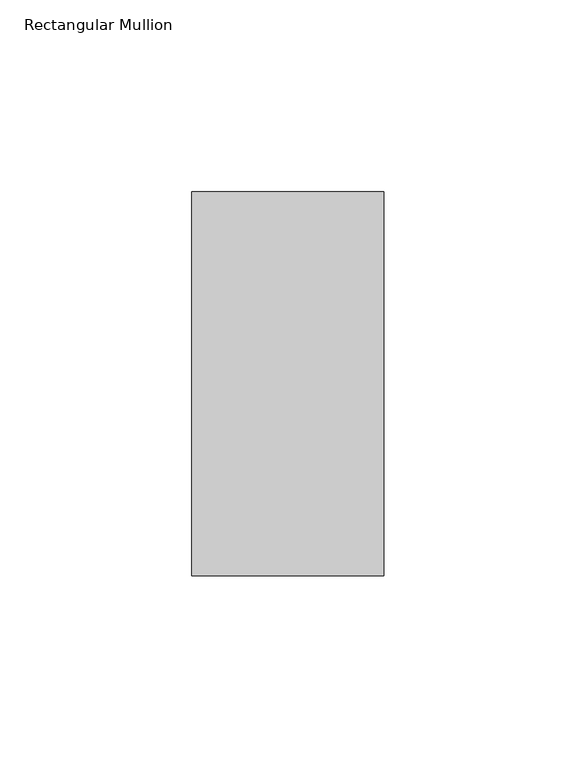
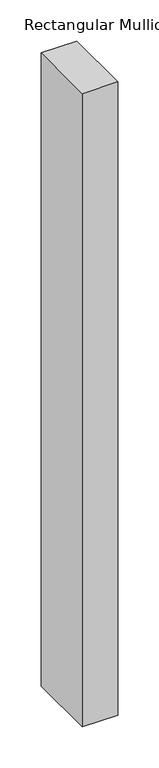
"""IFC4 building model written with IfcOpenShell, lengths in millimetres: member geometry, Rectangular Mullion."""

from ifc_helpers import new_model, si_unit, frame, origin, place, context, project, spatial, polyline, outline, extrude, source, transform, mapped, element, save


def rectangular_mullion_1aa8f421(model_context):
    return source(origin(), model_context, "Body", "SweptSolid", [
        extrude(outline(polyline([(25.0, 69.0), (25.0, -31.0), (-25.0, -31.0), (-25.0, 69.0), (25.0, 69.0)])), frame((0.0, 0.0, -940.0), z_axis=(0.0, 0.0, 1.0), x_axis=(1.0, 0.0, 0.0)), (0.0, 0.0, 1.0), 940.0),
    ])


if __name__ == "__main__":
    model = new_model("IFC4")
    model_context = context("Model", 3, world=origin())
    ifc_project = project(units=[si_unit("LENGTHUNIT", "METRE", prefix="MILLI")], contexts=[model_context])
    site = spatial("IfcSite", under=ifc_project)
    building = spatial("IfcBuilding", under=site)
    placement = place(None, origin())
    rectangular_mullion_shape = rectangular_mullion_1aa8f421(model_context)
    element("IfcMember", 1, ObjectType="Rectangular Mullion", at=placement, inside=building, context=model_context, shape_type="MappedRepresentation", body=[
        mapped(rectangular_mullion_shape, transform((0.0, 0.0, 0.0), x_axis=(1.0, 0.0, 0.0), y_axis=(0.0, 1.0, 0.0), z_axis=(0.0, 0.0, 1.0))),
    ])
    save(model, "model.ifc")
